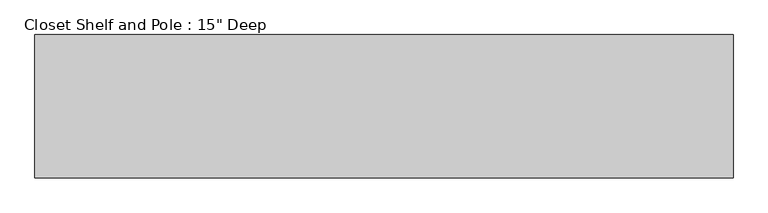
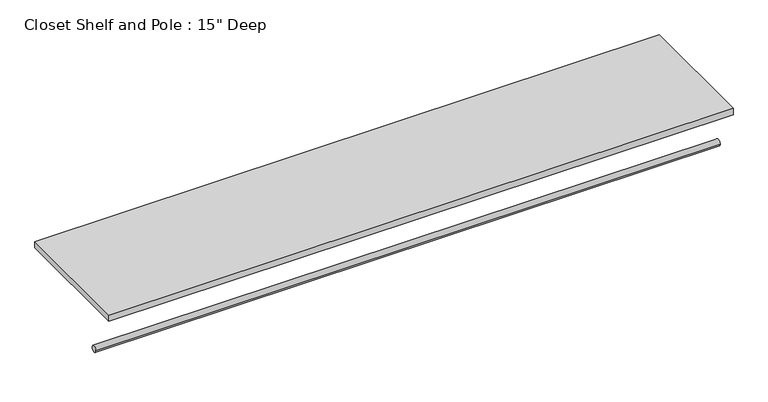
"""IFC4 building model written with IfcOpenShell, lengths in millimetres: proxy geometry."""

from ifc_helpers import new_model, si_unit, point, frame, frame_2d, origin, place, context, project, spatial, polyline, circle_curve, trimmed, segment, composite_curve, outline, extrude, source, transform, mapped, element, save


def proxy_5cff1585(model_context):
    return source(origin(), model_context, "Body", "SweptSolid", [
        extrude(outline(composite_curve([segment(trimmed(circle_curve(frame_2d((-304.8, 1676.4)), 9.525), [point((-314.325, 1676.4))], [point((-295.275, 1676.4))], False, "CARTESIAN"), True, "CONTINUOUS"), segment(trimmed(circle_curve(frame_2d((-304.8, 1676.4)), 9.525), [point((-295.275, 1676.4))], [point((-314.325, 1676.4))], False, "CARTESIAN"), True, "CONTINUOUS")], self_intersect=False)), frame((0.0, 0.0, 0.0), z_axis=(1.0, 0.0, 0.0), x_axis=(0.0, 1.0, 0.0)), (0.0, 0.0, 1.0), 1854.2),
        extrude(outline(polyline([(1854.2, 0.0), (1854.2, -381.0), (0.0, -381.0), (0.0, 0.0), (1854.2, 0.0)])), frame((0.0, 0.0, 1809.75), z_axis=(0.0, 0.0, 1.0), x_axis=(1.0, 0.0, 0.0)), (0.0, 0.0, 1.0), 19.05),
    ])


if __name__ == "__main__":
    model = new_model("IFC4")
    model_context = context("Model", 3, world=origin())
    ifc_project = project(units=[si_unit("LENGTHUNIT", "METRE", prefix="MILLI")], contexts=[model_context])
    site = spatial("IfcSite", under=ifc_project)
    building = spatial("IfcBuilding", under=site)
    placement = place(None, origin())
    proxy_shape = proxy_5cff1585(model_context)
    element("IfcBuildingElementProxy", 1, Name="Closet Shelf and Pole : 15\" Deep", ObjectType="Closet Shelf and Pole : 15\" Deep", at=placement, inside=building, context=model_context, shape_type="MappedRepresentation", body=[
        mapped(proxy_shape, transform((0.0, 0.0, 0.0), x_axis=(1.0, 0.0, 0.0), y_axis=(0.0, 1.0, 0.0), z_axis=(0.0, 0.0, 1.0))),
    ])
    save(model, "model.ifc")
